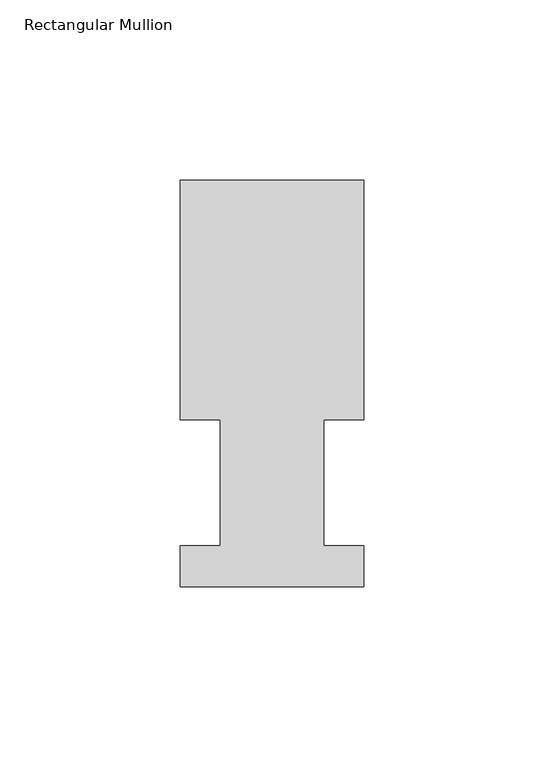
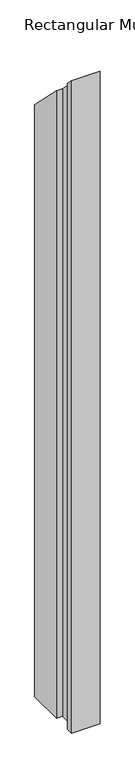
"""IFC4 building model written with IfcOpenShell, lengths in millimetres: member geometry, Rectangular Mullion."""

from ifc_helpers import new_model, si_unit, origin, place, context, project, spatial, faceted_brep, source, transform, mapped, element, save


def rectangular_mullion_814b4358(model_context):
    return source(origin(), model_context, "Body", "Brep", [
        faceted_brep([(-50.8, 0.739775, -1222.4711685), (-50.8, 12.144375, -1222.4711685), (-39.6875, 12.144375, -1222.4711685), (-39.6875, 47.069375, -1222.4711685), (-50.8, 47.069375, -1222.4711685), (-50.8, 113.464975, -1222.4711685), (0.0, 113.464975, -1222.4711685), (0.0, 47.069375, -1222.4711685), (-11.0998, 47.069375, -1222.4711685), (-11.0998, 12.144375, -1222.4711685), (0.0, 12.144375, -1222.4711685), (0.0, 0.739775, -1222.4711685), (0.0, 0.739775, -0.739775), (-50.8, 0.739775, -0.739775), (0.0, 12.144375, -12.144375), (-11.0998, 12.144375, -12.144375), (-11.0998, 47.069375, -47.069375), (0.0, 47.069375, -47.069375), (0.0, 113.464975, -113.464975), (-50.8, 113.464975, -113.464975), (-50.8, 47.069375, -47.069375), (-39.6875, 47.069375, -47.069375), (-39.6875, 12.144375, -12.144375), (-50.8, 12.144375, -12.144375)], [[[0, 1, 2, 3, 4, 5, 6, 7, 8, 9, 10, 11]], [[12, 13, 0, 11]], [[14, 12, 11, 10]], [[15, 14, 10, 9]], [[16, 15, 9, 8]], [[17, 16, 8, 7]], [[18, 17, 7, 6]], [[19, 18, 6, 5]], [[20, 19, 5, 4]], [[21, 20, 4, 3]], [[22, 21, 3, 2]], [[23, 22, 2, 1]], [[13, 23, 1, 0]], [[13, 12, 14, 15, 16, 17, 18, 19, 20, 21, 22, 23]]]),
    ])


if __name__ == "__main__":
    model = new_model("IFC4")
    model_context = context("Model", 3, world=origin())
    ifc_project = project(units=[si_unit("LENGTHUNIT", "METRE", prefix="MILLI")], contexts=[model_context])
    site = spatial("IfcSite", under=ifc_project)
    building = spatial("IfcBuilding", under=site)
    placement = place(None, origin())
    rectangular_mullion_shape = rectangular_mullion_814b4358(model_context)
    element("IfcMember", 1, ObjectType="Rectangular Mullion", at=placement, inside=building, context=model_context, shape_type="MappedRepresentation", body=[
        mapped(rectangular_mullion_shape, transform((0.0, 0.0, 0.0), x_axis=(1.0, 0.0, 0.0), y_axis=(0.0, 1.0, 0.0), z_axis=(0.0, 0.0, 1.0))),
    ])
    save(model, "model.ifc")
